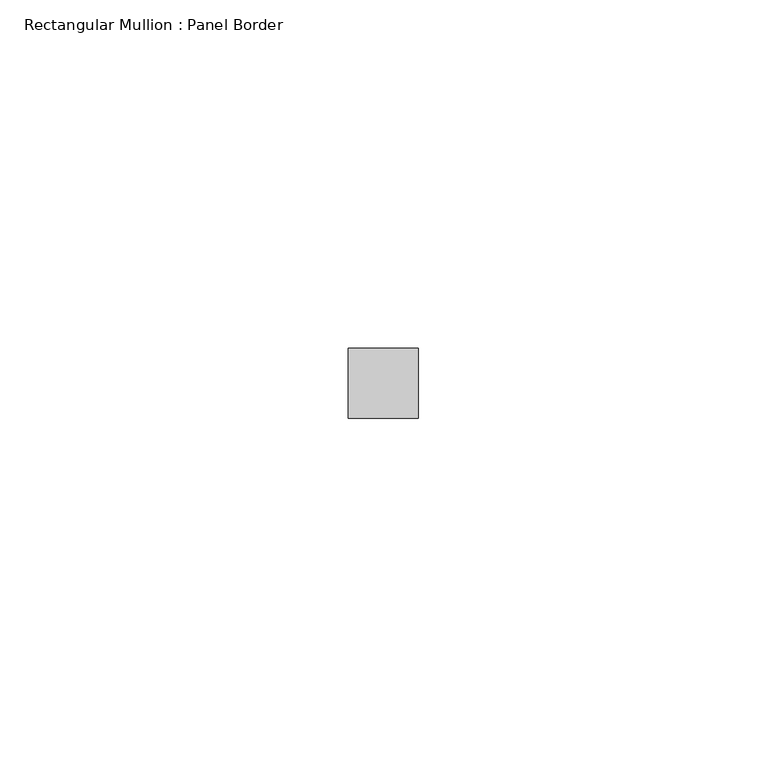
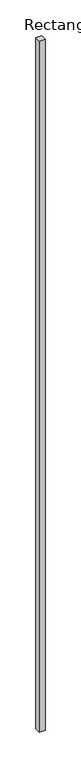
"""IFC4 building model written with IfcOpenShell, lengths in millimetres: member geometry, Rectangular Mullion : Panel Border."""

from ifc_helpers import new_model, si_unit, frame, origin, place, context, project, spatial, polyline, outline, extrude, source, transform, mapped, element, save


def rectangular_mullion_panel_border_9e276a83(model_context):
    return source(origin(), model_context, "Body", "SweptSolid", [
        extrude(outline(polyline([(5.0, 5.5), (5.0, -4.5), (-5.0, -4.5), (-5.0, 5.5), (5.0, 5.5)])), frame((0.0, 0.0, -1187.5), z_axis=(0.0, 0.0, 1.0), x_axis=(1.0, 0.0, 0.0)), (0.0, 0.0, 1.0), 1187.5),
    ])


if __name__ == "__main__":
    model = new_model("IFC4")
    model_context = context("Model", 3, world=origin())
    ifc_project = project(units=[si_unit("LENGTHUNIT", "METRE", prefix="MILLI")], contexts=[model_context])
    site = spatial("IfcSite", under=ifc_project)
    building = spatial("IfcBuilding", under=site)
    placement = place(None, origin())
    rectangular_mullion_panel_border_shape = rectangular_mullion_panel_border_9e276a83(model_context)
    element("IfcMember", 1, ObjectType="Rectangular Mullion : Panel Border", at=placement, inside=building, context=model_context, shape_type="MappedRepresentation", body=[
        mapped(rectangular_mullion_panel_border_shape, transform((0.0, 0.0, 0.0), x_axis=(1.0, 0.0, 0.0), y_axis=(0.0, 1.0, 0.0), z_axis=(0.0, 0.0, 1.0))),
    ])
    save(model, "model.ifc")
